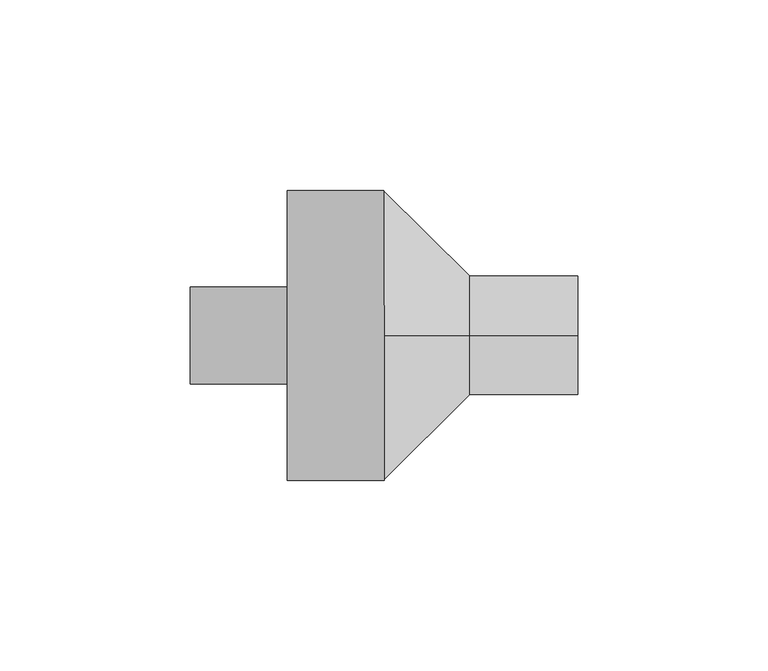
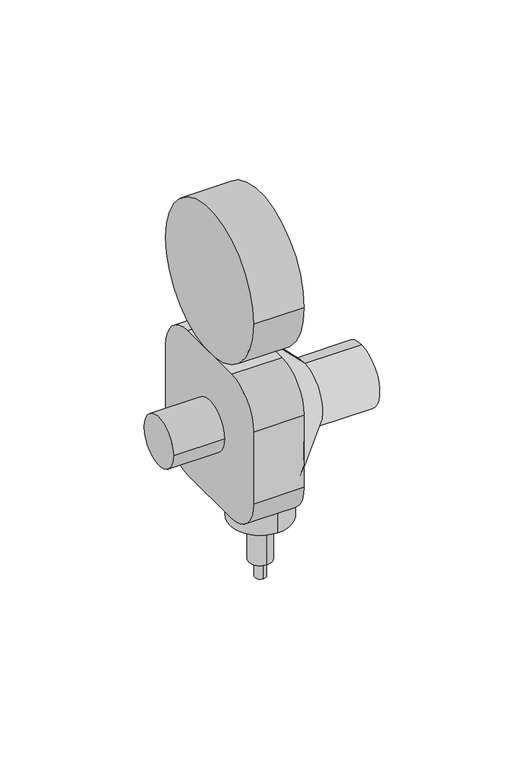
"""IFC4 building model written with IfcOpenShell, lengths in millimetres: proxy geometry."""

from ifc_helpers import new_model, si_unit, point, frame, frame_2d, origin, place, context, project, spatial, polyline, circle_curve, trimmed, segment, composite_curve, outline, extrude, source, transform, mapped, element, save
from ifc_brep_helpers import plane_surface, cylinder_surface, revolved_surface, advanced_brep


def specialty_equipment_5aa942a2(model_context):
    return source(origin(), model_context, "Body", "SolidModel", [
        advanced_brep(
        [(-0.2368425, -53.3223414, 76.2), (-0.2368425, -22.8776586, 76.2), (-0.2368425, -38.1, 76.2), (-0.2368425, -53.3223414, 31.8738169), (-0.2368425, -22.8776586, 31.8738169), (-0.2368425, -43.8248613, 31.8738169), (-0.2368425, -32.3751387, 31.8738169), (-0.2368425, -43.8248613, 9.172523), (-0.2368425, -32.3751387, 9.172523), (-0.2368425, -40.8134652, 9.172523), (-0.2368425, -35.3865348, 9.172523), (-0.2368425, -40.8134652, 0.0), (-0.2368425, -35.3865348, 0.0), (-0.2368425, -38.1, 0.0)],
        [
            (0, 1, circle_curve(frame((-0.2368425, -38.1, 76.2), z_axis=(0.0, 0.0, 1.0), x_axis=(0.0, 1.0, 0.0)), 15.2223414)),
            (1, 2),
            (2, 0),
            (1, 0, circle_curve(frame((-0.2368425, -38.1, 76.2), z_axis=(0.0, 0.0, 1.0), x_axis=(0.0, 1.0, 0.0)), 15.2223414)),
            (3, 4, circle_curve(frame((-0.2368425, -38.1, 31.8738169), z_axis=(0.0, 0.0, 1.0), x_axis=(0.0, 1.0, 0.0)), 15.2223414)),
            (4, 1),
            (0, 3),
            (4, 3, circle_curve(frame((-0.2368425, -38.1, 31.8738169), z_axis=(0.0, 0.0, 1.0), x_axis=(0.0, 1.0, 0.0)), 15.2223414)),
            (5, 6, circle_curve(frame((-0.2368425, -38.1, 31.8738169), z_axis=(0.0, 0.0, 1.0), x_axis=(0.0, 1.0, 0.0)), 5.7248613)),
            (6, 4),
            (3, 5),
            (6, 5, circle_curve(frame((-0.2368425, -38.1, 31.8738169), z_axis=(0.0, 0.0, 1.0), x_axis=(0.0, 1.0, 0.0)), 5.7248613)),
            (7, 8, circle_curve(frame((-0.2368425, -38.1, 9.172523), z_axis=(0.0, 0.0, 1.0), x_axis=(0.0, 1.0, 0.0)), 5.7248613)),
            (8, 6),
            (5, 7),
            (8, 7, circle_curve(frame((-0.2368425, -38.1, 9.172523), z_axis=(0.0, 0.0, 1.0), x_axis=(0.0, 1.0, 0.0)), 5.7248613)),
            (9, 10, circle_curve(frame((-0.2368425, -38.1, 9.172523), z_axis=(0.0, 0.0, 1.0), x_axis=(0.0, 1.0, 0.0)), 2.7134652)),
            (10, 8),
            (7, 9),
            (10, 9, circle_curve(frame((-0.2368425, -38.1, 9.172523), z_axis=(0.0, 0.0, 1.0), x_axis=(0.0, 1.0, 0.0)), 2.7134652)),
            (11, 12, circle_curve(frame((-0.2368425, -38.1, 0.0), z_axis=(0.0, 0.0, 1.0), x_axis=(0.0, 1.0, 0.0)), 2.7134652)),
            (12, 10),
            (9, 11),
            (12, 11, circle_curve(frame((-0.2368425, -38.1, 0.0), z_axis=(0.0, 0.0, 1.0), x_axis=(0.0, 1.0, 0.0)), 2.7134652)),
            (13, 12),
            (11, 13),
        ],
        [
            plane_surface(frame((-0.2368425, -38.1, 76.2), z_axis=(0.0, 0.0, 1.0), x_axis=(0.0, 1.0, 0.0))),
            cylinder_surface(frame((-0.2368425, -38.1, 1297.7300755), z_axis=(0.0, 0.0, -1.0), x_axis=(0.0, 1.0, 0.0)), 15.2223414),
            plane_surface(frame((-0.2368425, -38.1, 31.8738169), z_axis=(0.0, 0.0, -1.0), x_axis=(0.0, 1.0, 0.0))),
            cylinder_surface(frame((-0.2368425, -38.1, 1297.7300755), z_axis=(0.0, 0.0, -1.0), x_axis=(0.0, 1.0, 0.0)), 5.7248613),
            plane_surface(frame((-0.2368425, -38.1, 9.172523), z_axis=(0.0, 0.0, -1.0), x_axis=(0.0, 1.0, 0.0))),
            cylinder_surface(frame((-0.2368425, -38.1, 1297.7300755), z_axis=(0.0, 0.0, -1.0), x_axis=(0.0, 1.0, 0.0)), 2.7134652),
            plane_surface(frame((-0.2368425, -38.1, 0.0), z_axis=(0.0, 0.0, -1.0), x_axis=(0.0, 1.0, 0.0))),
        ],
        [
            (0, [[1, 2, 3]]),
            (0, [[4, -3, -2]]),
            (1, [[5, 6, -1, 7]]),
            (1, [[8, -7, -4, -6]]),
            (2, [[9, 10, -5, 11]]),
            (2, [[12, -11, -8, -10]]),
            (3, [[13, 14, -9, 15]]),
            (3, [[16, -15, -12, -14]]),
            (4, [[17, 18, -13, 19]]),
            (4, [[20, -19, -16, -18]]),
            (5, [[21, 22, -17, 23]]),
            (5, [[24, -23, -20, -22]]),
            (6, [[25, -21, 26]]),
            (6, [[-26, -24, -25]]),
        ],
    ),
        advanced_brep(
        [(50.5631575, -38.1, 104.5493597), (50.5631575, -38.1, 73.2506403), (22.2137978, -38.1, 73.2506403), (22.2137978, -38.1, 104.5493597), (50.5631575, -38.1, 88.9), (-0.2368425, -38.1, 127.0), (-0.2368425, -38.1, 50.8), (-0.2368425, -38.1, 88.9)],
        [
            (0, 1, circle_curve(frame((50.5631575, -38.1, 88.9), z_axis=(-1.0, 0.0, 0.0), x_axis=(0.0, 0.0, -1.0)), 15.6493597)),
            (1, 2),
            (2, 3, circle_curve(frame((22.2137978, -38.1, 88.9), z_axis=(1.0, 0.0, 0.0), x_axis=(0.0, 0.0, -1.0)), 15.6493597)),
            (3, 0),
            (1, 0, circle_curve(frame((50.5631575, -38.1, 88.9), z_axis=(-1.0, 0.0, 0.0), x_axis=(0.0, 0.0, -1.0)), 15.6493597)),
            (3, 2, circle_curve(frame((22.2137978, -38.1, 88.9), z_axis=(1.0, 0.0, 0.0), x_axis=(0.0, 0.0, -1.0)), 15.6493597)),
            (4, 1),
            (0, 4),
            (5, 6, circle_curve(frame((-0.2368425, -38.1, 88.9), z_axis=(-1.0, 0.0, 0.0), x_axis=(0.0, 0.0, -1.0)), 38.1)),
            (6, 7),
            (7, 5),
            (6, 5, circle_curve(frame((-0.2368425, -38.1, 88.9), z_axis=(-1.0, 0.0, 0.0), x_axis=(0.0, 0.0, -1.0)), 38.1)),
            (2, 6),
            (5, 3),
        ],
        [
            cylinder_surface(frame((-51.0368425, -38.1, 88.9), z_axis=(1.0, 0.0, 0.0), x_axis=(0.0, 0.0, -1.0)), 15.6493597),
            plane_surface(frame((50.5631575, -38.1, 88.9), z_axis=(1.0, 0.0, 0.0), x_axis=(0.0, 0.0, -1.0))),
            plane_surface(frame((-0.2368425, -38.1, 88.9), z_axis=(-1.0, 0.0, 0.0), x_axis=(0.0, 0.0, -1.0))),
            revolved_surface(polyline([(-0.2368425, -38.1, 50.8), (22.2137978, -38.1, 73.2506403)]), (-51.0368425, -38.1, 88.9), (1.0, 0.0, 0.0)),
        ],
        [
            (0, [[1, 2, 3, 4]]),
            (0, [[5, -4, 6, -2]]),
            (1, [[7, -1, 8]]),
            (1, [[-8, -5, -7]]),
            (2, [[9, 10, 11]]),
            (2, [[12, -11, -10]]),
            (3, [[-3, 13, -9, 14]]),
            (3, [[-6, -14, -12, -13]]),
        ],
    ),
        extrude(outline(composite_curve([segment(trimmed(circle_curve(frame_2d((-38.1, 88.9)), 12.7), [point((-25.4, 88.9))], [point((-50.8, 88.9))], False, "CARTESIAN"), True, "CONTINUOUS"), segment(trimmed(circle_curve(frame_2d((-38.1, 88.9)), 12.7), [point((-50.8, 88.9))], [point((-25.4, 88.9))], False, "CARTESIAN"), True, "CONTINUOUS")], self_intersect=False)), frame((-51.0368425, 0.0, 0.0), z_axis=(1.0, 0.0, 0.0), x_axis=(0.0, 1.0, 0.0)), (0.0, 0.0, 1.0), 50.8),
        extrude(outline(composite_curve([segment(trimmed(circle_curve(frame_2d((-19.05, 69.85)), 19.05), [point((0.0, 69.85))], [point((-19.05, 50.8))], False, "CARTESIAN"), True, "CONTINUOUS"), segment(polyline([(-19.05, 50.8), (-57.15, 50.8)]), True, "CONTINUOUS"), segment(trimmed(circle_curve(frame_2d((-57.15, 69.85)), 19.05), [point((-57.15, 50.8))], [point((-76.2, 69.85))], False, "CARTESIAN"), True, "CONTINUOUS"), segment(polyline([(-76.2, 69.85), (-76.2, 107.95)]), True, "CONTINUOUS"), segment(trimmed(circle_curve(frame_2d((-57.15, 107.95)), 19.05), [point((-76.2, 107.95))], [point((-57.15, 127.0))], False, "CARTESIAN"), True, "CONTINUOUS"), segment(polyline([(-57.15, 127.0), (-19.05, 127.0)]), True, "CONTINUOUS"), segment(trimmed(circle_curve(frame_2d((-19.05, 107.95)), 19.05), [point((-19.05, 127.0))], [point((0.0, 107.95))], False, "CARTESIAN"), True, "CONTINUOUS"), segment(polyline([(0.0, 107.95), (0.0, 69.85)]), True, "CONTINUOUS")], self_intersect=False)), frame((-25.6368425, 0.0, 0.0), z_axis=(1.0, 0.0, 0.0), x_axis=(0.0, 1.0, 0.0)), (0.0, 0.0, 1.0), 25.4),
        extrude(outline(composite_curve([segment(trimmed(circle_curve(frame_2d((-38.1, 165.1)), 38.1), [point((0.0, 165.1))], [point((-76.2, 165.1))], False, "CARTESIAN"), True, "CONTINUOUS"), segment(trimmed(circle_curve(frame_2d((-38.1, 165.1)), 38.1), [point((-76.2, 165.1))], [point((0.0, 165.1))], False, "CARTESIAN"), True, "CONTINUOUS")], self_intersect=False)), frame((-25.6368425, 0.0, 0.0), z_axis=(1.0, 0.0, 0.0), x_axis=(0.0, 1.0, 0.0)), (0.0, 0.0, 1.0), 25.4),
    ])


if __name__ == "__main__":
    model = new_model("IFC4")
    model_context = context("Model", 3, world=origin())
    ifc_project = project(units=[si_unit("LENGTHUNIT", "METRE", prefix="MILLI")], contexts=[model_context])
    site = spatial("IfcSite", under=ifc_project)
    building = spatial("IfcBuilding", under=site)
    placement = place(None, origin())
    specialty_equipment_shape = specialty_equipment_5aa942a2(model_context)
    element("IfcBuildingElementProxy", 1, Name="Specialty Equipment", at=placement, inside=building, context=model_context, shape_type="MappedRepresentation", body=[
        mapped(specialty_equipment_shape, transform((0.0, 0.0, 0.0), x_axis=(1.0, 0.0, 0.0), y_axis=(0.0, 1.0, 0.0), z_axis=(0.0, 0.0, 1.0))),
    ])
    save(model, "model.ifc")
